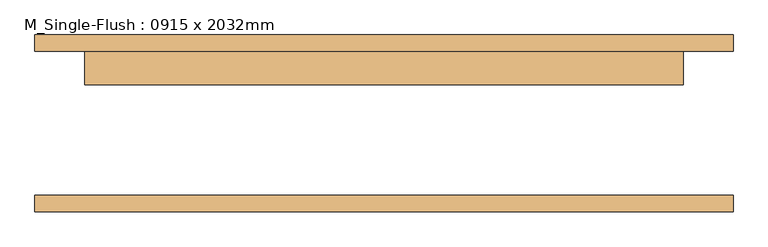
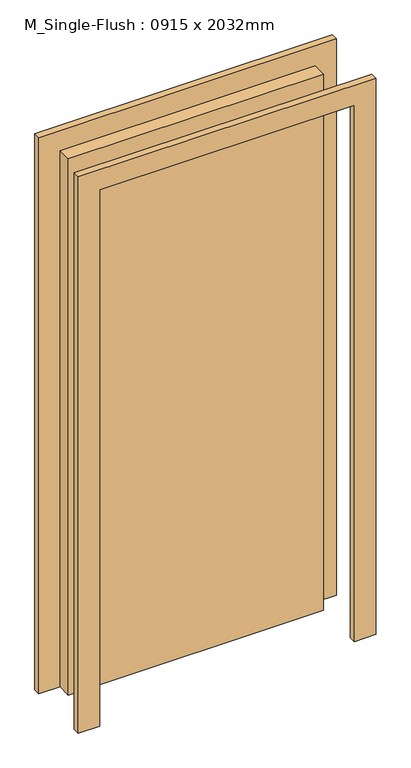
"""IFC4 building model written with IfcOpenShell, lengths in millimetres: door geometry, M_Single-Flush : 0915 x 2032mm."""

from ifc_helpers import new_model, si_unit, frame, origin, origin_with_axes, place, context, project, spatial, polyline, outline, extrude, source, transform, mapped, element, save


def m_single_flush_0915_x_2032mm_9c445948(model_context):
    return source(origin(), model_context, "Body", "SweptSolid", [
        extrude(outline(polyline([(2108.0, -533.5), (0.0, -533.5), (0.0, -457.5), (2032.0, -457.5), (2032.0, 457.5), (0.0, 457.5), (0.0, 533.5), (2108.0, 533.5), (2108.0, -533.5)])), frame((0.0, 110.0, 0.0), z_axis=(0.0, 1.0, 0.0), x_axis=(0.0, 0.0, 1.0)), (0.0, 0.0, 1.0), 25.0),
        extrude(outline(polyline([(2108.0, 533.5), (2108.0, -533.5), (0.0, -533.5), (0.0, -457.5), (2032.0, -457.5), (2032.0, 457.5), (0.0, 457.5), (0.0, 533.5), (2108.0, 533.5)])), frame((0.0, -135.0, 0.0), z_axis=(0.0, 1.0, 0.0), x_axis=(0.0, 0.0, 1.0)), (0.0, 0.0, 1.0), 25.0),
        extrude(outline(polyline([(457.5, 59.0), (-457.5, 59.0), (-457.5, 110.0), (457.5, 110.0), (457.5, 59.0)])), origin_with_axes(), (0.0, 0.0, 1.0), 2032.0),
    ])


if __name__ == "__main__":
    model = new_model("IFC4")
    model_context = context("Model", 3, world=origin())
    ifc_project = project(units=[si_unit("LENGTHUNIT", "METRE", prefix="MILLI")], contexts=[model_context])
    site = spatial("IfcSite", under=ifc_project)
    building = spatial("IfcBuilding", under=site)
    placement = place(None, origin())
    m_single_flush_0915_x_2032mm_shape = m_single_flush_0915_x_2032mm_9c445948(model_context)
    element("IfcDoor", 1, ObjectType="M_Single-Flush : 0915 x 2032mm", at=placement, inside=building, context=model_context, shape_type="MappedRepresentation", body=[
        mapped(m_single_flush_0915_x_2032mm_shape, transform((0.0, 0.0, 0.0), x_axis=(1.0, 0.0, 0.0), y_axis=(0.0, 1.0, 0.0), z_axis=(0.0, 0.0, 1.0))),
    ])
    save(model, "model.ifc")
